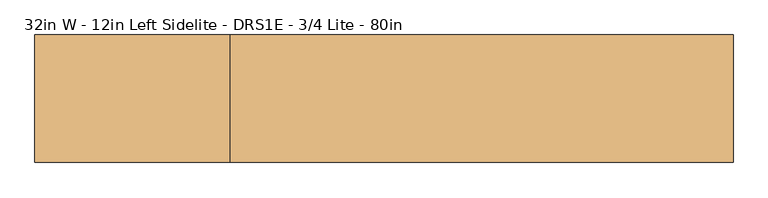
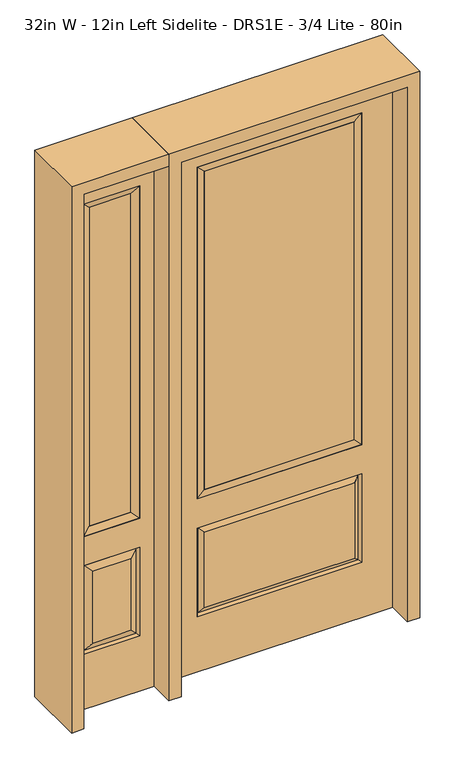
"""IFC4 building model written with IfcOpenShell, lengths in millimetres: door geometry, 32in W - 12in Left Sidelite - DRS1E - 3/4 Lite - 80in."""

from ifc_helpers import new_model, si_unit, frame, origin, place, context, project, spatial, polyline, outline, extrude, faceted_brep, source, transform, mapped, element, save


def door_32in_w_12in_left_sidelite_drs1e_3_4_lite_80in_50660e74(model_context):
    return source(origin(), model_context, "Body", "SolidModel", [
        faceted_brep([(-755.65, -22.225, 0.0), (-450.85, -22.225, 0.0), (-450.85, -22.225, 2032.0), (-755.65, -22.225, 2032.0), (-502.92, -22.225, 1919.224), (-502.92, -22.225, 657.098), (-703.58, -22.225, 657.098), (-703.58, -22.225, 1919.224), (-502.92, -22.225, 209.55), (-703.58, -22.225, 209.55), (-703.58, -22.225, 546.1), (-502.92, -22.225, 546.1), (-671.8648999, -22.225, 241.2651001), (-534.6351001, -22.225, 241.2651001), (-534.6351001, -22.225, 514.3848999), (-671.8648999, -22.225, 514.3848999), (-755.65, 22.225, 0.0), (-755.65, 22.225, 2032.0), (-450.85, 22.225, 2032.0), (-450.85, 22.225, 0.0), (-502.92, 22.225, 1919.224), (-703.58, 22.225, 1919.224), (-703.58, 22.225, 657.098), (-502.92, 22.225, 657.098), (-703.58, 22.225, 209.55), (-502.92, 22.225, 209.55), (-502.92, 22.225, 546.1), (-703.58, 22.225, 546.1), (-534.6351001, 22.225, 241.2651001), (-671.8648999, 22.225, 241.2651001), (-671.8648999, 22.225, 514.3848999), (-534.6351001, 22.225, 514.3848999), (-510.0288501, 12.7912373, 216.6588501), (-696.4711499, 12.7912373, 216.6588501), (-696.4711499, 12.7912373, 538.9911499), (-510.0288501, 12.7912373, 538.9911499), (-696.4711499, -12.7912373, 216.6588501), (-510.0288501, -12.7912373, 216.6588501), (-696.4711499, -12.7912373, 538.9911499), (-510.0288501, -12.7912373, 538.9911499)], [[[0, 1, 2, 3], [4, 5, 6, 7], [8, 9, 10, 11]], [[12, 13, 14, 15]], [[16, 17, 18, 19], [20, 21, 22, 23], [24, 25, 26, 27]], [[28, 29, 30, 31]], [[1, 0, 16, 19]], [[2, 1, 19, 18]], [[3, 2, 18, 17]], [[0, 3, 17, 16]], [[5, 4, 20, 23]], [[6, 5, 23, 22]], [[7, 6, 22, 21]], [[4, 7, 21, 20]], [[32, 33, 29, 28]], [[33, 32, 25, 24]], [[29, 33, 34, 30]], [[33, 24, 27, 34]], [[30, 34, 35, 31]], [[34, 27, 26, 35]], [[32, 28, 31, 35]], [[25, 32, 35, 26]], [[12, 36, 37, 13]], [[37, 36, 9, 8]], [[36, 12, 15, 38]], [[9, 36, 38, 10]], [[38, 15, 14, 39]], [[10, 38, 39, 11]], [[13, 37, 39, 14]], [[37, 8, 11, 39]]]),
        faceted_brep([(-703.58, 22.225, 1919.224), (-703.58, -22.225, 1919.224), (-502.92, -22.225, 1919.224), (-502.92, 22.225, 1919.224), (-678.18, 12.7, 1893.824), (-528.32, 12.7, 1893.824), (-678.18, -12.7, 1893.824), (-528.32, -12.7, 1893.824), (-502.92, -22.225, 657.098), (-502.92, 22.225, 657.098), (-528.32, 12.7, 682.498), (-528.32, -12.7, 682.498), (-703.58, -22.225, 657.098), (-703.58, 22.225, 657.098), (-678.18, 12.7, 682.498), (-678.18, -12.7, 682.498)], [[[0, 1, 2, 3]], [[4, 0, 3, 5]], [[6, 4, 5, 7]], [[1, 6, 7, 2]], [[3, 2, 8, 9]], [[5, 3, 9, 10]], [[7, 5, 10, 11]], [[2, 7, 11, 8]], [[9, 8, 12, 13]], [[10, 9, 13, 14]], [[11, 10, 14, 15]], [[8, 11, 15, 12]], [[13, 12, 1, 0]], [[14, 13, 0, 4]], [[15, 14, 4, 6]], [[12, 15, 6, 1]]]),
        extrude(outline(polyline([(-528.32, -12.7), (-678.18, -12.7), (-678.18, 12.7), (-528.32, 12.7), (-528.32, -12.7)])), frame((0.0, 0.0, 682.498), z_axis=(0.0, 0.0, 1.0), x_axis=(1.0, 0.0, 0.0)), (0.0, 0.0, 1.0), 1211.326),
        faceted_brep([(-288.1661499, -12.7912373, 216.6588501), (288.1661499, -12.7912373, 216.6588501), (270.66875, -22.225, 234.15625), (-270.66875, -22.225, 234.15625), (-295.275, -22.225, 209.55), (295.275, -22.225, 209.55), (-288.1661499, -12.7912373, 538.9911499), (-295.275, -22.225, 546.1), (270.66875, -22.225, 521.49375), (-270.66875, -22.225, 521.49375), (406.4, -22.225, 2032.0), (-406.4, -22.225, 2032.0), (-406.4, -22.225, 0.0), (406.4, -22.225, 0.0), (295.275, -22.225, 546.1), (295.275, -22.225, 1917.7), (295.275, -22.225, 657.098), (-295.275, -22.225, 657.098), (-295.275, -22.225, 1917.7), (288.1661499, -12.7912373, 538.9911499), (-406.4, 22.225, 2032.0), (-406.4, 22.225, 0.0), (406.4, 22.225, 0.0), (406.4, 22.225, 2032.0), (295.275, 22.225, 1917.7), (295.275, 22.225, 657.098), (-295.275, 22.225, 657.098), (-295.275, 22.225, 1917.7), (-295.275, 22.225, 209.55), (295.275, 22.225, 209.55), (295.275, 22.225, 546.1), (-295.275, 22.225, 546.1), (270.66875, 22.225, 234.15625), (-270.66875, 22.225, 234.15625), (-270.66875, 22.225, 521.49375), (270.66875, 22.225, 521.49375), (-288.1661499, 12.7912373, 216.6588501), (288.1661499, 12.7912373, 216.6588501), (288.1661499, 12.7912373, 538.9911499), (-288.1661499, 12.7912373, 538.9911499)], [[[0, 1, 2, 3]], [[1, 0, 4, 5]], [[4, 0, 6, 7]], [[3, 2, 8, 9]], [[10, 11, 12, 13], [5, 4, 7, 14], [15, 16, 17, 18]], [[1, 5, 14, 19]], [[2, 1, 19, 8]], [[0, 3, 9, 6]], [[7, 6, 19, 14]], [[6, 9, 8, 19]], [[12, 11, 20, 21]], [[13, 12, 21, 22]], [[10, 13, 22, 23]], [[16, 15, 24, 25]], [[17, 16, 25, 26]], [[18, 17, 26, 27]], [[23, 22, 21, 20], [28, 29, 30, 31], [24, 27, 26, 25]], [[32, 33, 34, 35]], [[28, 36, 37, 29]], [[29, 37, 38, 30]], [[39, 31, 30, 38]], [[36, 28, 31, 39]], [[37, 36, 33, 32]], [[33, 36, 39, 34]], [[34, 39, 38, 35]], [[37, 32, 35, 38]], [[11, 10, 23, 20]], [[15, 18, 27, 24]]]),
        faceted_brep([(-295.275, -22.225, 1917.7), (-295.275, 22.225, 1917.7), (-295.275, 22.225, 657.098), (-295.275, -22.225, 657.098), (295.275, 22.225, 657.098), (295.275, -22.225, 657.098), (-269.875, 5.08, 682.498), (269.875, 5.08, 682.498), (295.275, 22.225, 1917.7), (295.275, -22.225, 1917.7), (-269.875, -20.32, 682.498), (269.875, -20.32, 682.498), (-269.875, -20.32, 1892.3), (269.875, -20.32, 1892.3), (-269.875, 5.08, 1892.3), (269.875, 5.08, 1892.3)], [[[0, 1, 2, 3]], [[3, 2, 4, 5]], [[2, 6, 7, 4]], [[5, 4, 8, 9]], [[10, 3, 5, 11]], [[12, 0, 3, 10]], [[11, 5, 9, 13]], [[6, 10, 11, 7]], [[14, 12, 10, 6]], [[7, 11, 13, 15]], [[1, 14, 6, 2]], [[4, 7, 15, 8]], [[9, 8, 1, 0]], [[13, 9, 0, 12]], [[15, 13, 12, 14]], [[8, 15, 14, 1]]]),
        extrude(outline(polyline([(269.875, -20.32), (-269.875, -20.32), (-269.875, 5.08), (269.875, 5.08), (269.875, -20.32)])), frame((0.0, 0.0, 682.498), z_axis=(0.0, 0.0, 1.0), x_axis=(1.0, 0.0, 0.0)), (0.0, 0.0, 1.0), 1209.802),
        extrude(outline(polyline([(2032.0, -450.85), (2076.45, -450.85), (2076.45, -800.1), (0.0, -800.1), (0.0, -755.65), (2032.0, -755.65), (2032.0, -450.85)])), frame((0.0, -114.3, 0.0), z_axis=(0.0, 1.0, 0.0), x_axis=(0.0, 0.0, 1.0)), (0.0, 0.0, 1.0), 228.6),
        extrude(outline(polyline([(2076.45, -450.85), (0.0, -450.85), (0.0, -406.4), (2032.0, -406.4), (2032.0, 406.4), (0.0, 406.4), (0.0, 450.85), (2076.45, 450.85), (2076.45, -450.85)])), frame((0.0, -114.3, 0.0), z_axis=(0.0, 1.0, 0.0), x_axis=(0.0, 0.0, 1.0)), (0.0, 0.0, 1.0), 228.6),
    ])


if __name__ == "__main__":
    model = new_model("IFC4")
    model_context = context("Model", 3, world=origin())
    ifc_project = project(units=[si_unit("LENGTHUNIT", "METRE", prefix="MILLI")], contexts=[model_context])
    site = spatial("IfcSite", under=ifc_project)
    building = spatial("IfcBuilding", under=site)
    placement = place(None, origin())
    door_32in_w_12in_left_sidelite_drs1e_3_4_lite_80in_shape = door_32in_w_12in_left_sidelite_drs1e_3_4_lite_80in_50660e74(model_context)
    element("IfcDoor", 1, ObjectType="32in W - 12in Left Sidelite - DRS1E - 3/4 Lite - 80in", at=placement, inside=building, context=model_context, shape_type="MappedRepresentation", body=[
        mapped(door_32in_w_12in_left_sidelite_drs1e_3_4_lite_80in_shape, transform((0.0, 0.0, 0.0), x_axis=(1.0, 0.0, 0.0), y_axis=(0.0, 1.0, 0.0), z_axis=(0.0, 0.0, 1.0))),
    ])
    save(model, "model.ifc")
